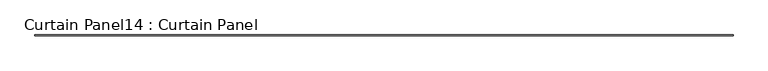
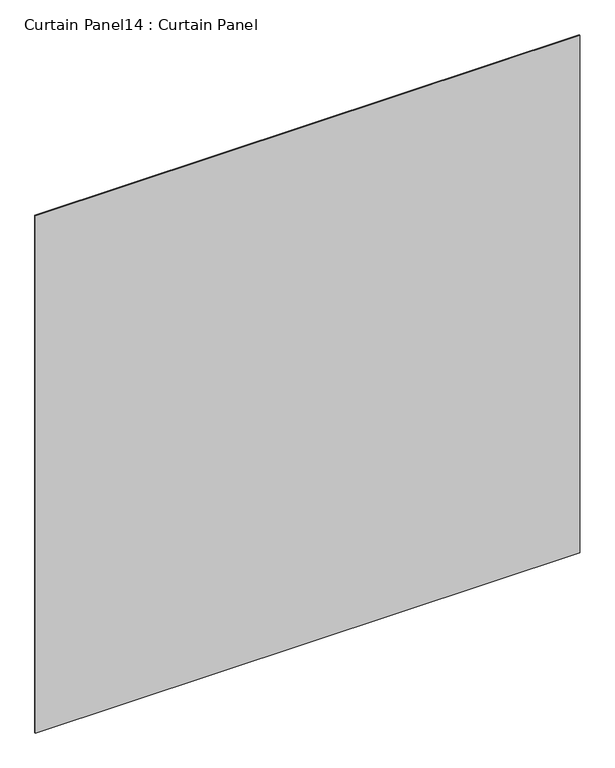
"""IFC4 building model written with IfcOpenShell, lengths in millimetres: plate geometry, Curtain Panel14 : Curtain Panel."""

from ifc_helpers import new_model, si_unit, frame, origin, place, context, project, spatial, polyline, outline, extrude, source, transform, mapped, element, save


def curtain_panel14_curtain_panel_9479fbc8(model_context):
    return source(origin(), model_context, "Body", "SweptSolid", [
        extrude(outline(polyline([(471463.0315581, 2930.0745393), (465462.2815581, 2930.0745393), (465462.2815581, 2936.4245393), (471463.0315581, 2936.4245393), (471463.0315581, 2930.0745393)])), frame((0.0, 0.0, 3178.17599), z_axis=(0.0, 0.0, 1.0), x_axis=(1.0, 0.0, 0.0)), (0.0, 0.0, 1.0), 6031.0958069),
    ])


if __name__ == "__main__":
    model = new_model("IFC4")
    model_context = context("Model", 3, world=origin())
    ifc_project = project(units=[si_unit("LENGTHUNIT", "METRE", prefix="MILLI")], contexts=[model_context])
    site = spatial("IfcSite", under=ifc_project)
    building = spatial("IfcBuilding", under=site)
    placement = place(None, origin())
    curtain_panel14_curtain_panel_shape = curtain_panel14_curtain_panel_9479fbc8(model_context)
    element("IfcPlate", 1, ObjectType="Curtain Panel14 : Curtain Panel", at=placement, inside=building, context=model_context, shape_type="MappedRepresentation", body=[
        mapped(curtain_panel14_curtain_panel_shape, transform((0.0, 0.0, 0.0), x_axis=(1.0, 0.0, 0.0), y_axis=(0.0, 1.0, 0.0), z_axis=(0.0, 0.0, 1.0))),
    ])
    save(model, "model.ifc")
